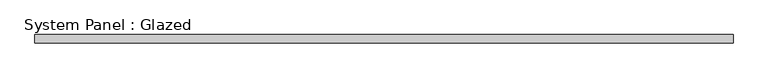
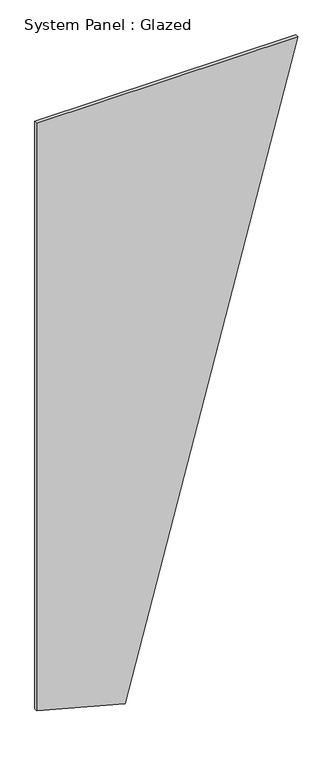
"""IFC4 building model written with IfcOpenShell, lengths in millimetres: plate geometry, System Panel : Glazed."""

from ifc_helpers import new_model, si_unit, frame, origin, place, context, project, spatial, polyline, outline, extrude, source, transform, mapped, element, save


def system_panel_glazed_a5faceef(model_context):
    return source(origin(), model_context, "Body", "SweptSolid", [
        extrude(outline(polyline([(191.9561863, -1056.109675), (0.0, -339.7194348), (5209.3051564, 1056.109675), (5209.3051564, -1056.109675), (191.9561863, -1056.109675)])), frame((0.0, -2.5, 0.0), z_axis=(0.0, 1.0, 0.0), x_axis=(0.0, 0.0, 1.0)), (0.0, 0.0, 1.0), 25.0),
    ])


if __name__ == "__main__":
    model = new_model("IFC4")
    model_context = context("Model", 3, world=origin())
    ifc_project = project(units=[si_unit("LENGTHUNIT", "METRE", prefix="MILLI")], contexts=[model_context])
    site = spatial("IfcSite", under=ifc_project)
    building = spatial("IfcBuilding", under=site)
    placement = place(None, origin())
    system_panel_glazed_shape = system_panel_glazed_a5faceef(model_context)
    element("IfcPlate", 1, ObjectType="System Panel : Glazed", at=placement, inside=building, context=model_context, shape_type="MappedRepresentation", body=[
        mapped(system_panel_glazed_shape, transform((0.0, 0.0, 0.0), x_axis=(1.0, 0.0, 0.0), y_axis=(0.0, 1.0, 0.0), z_axis=(0.0, 0.0, 1.0))),
    ])
    save(model, "model.ifc")
